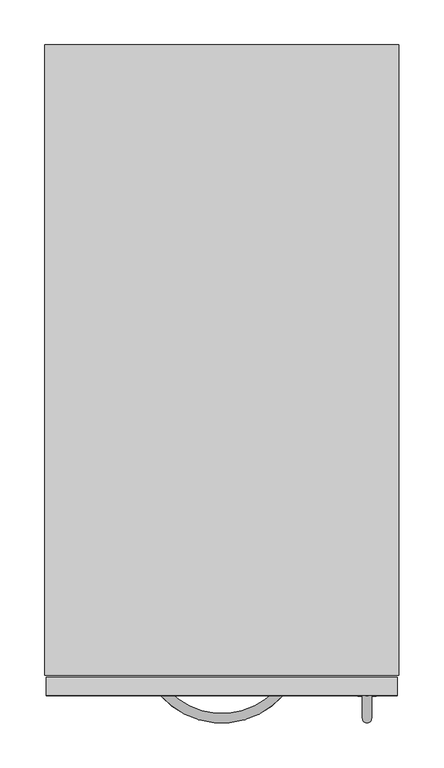
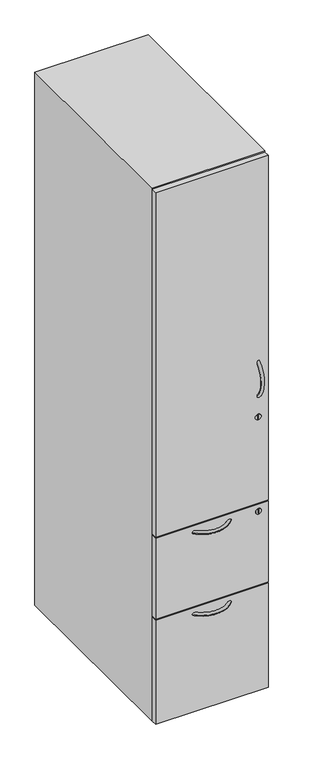
"""IFC4 building model written with IfcOpenShell, lengths in millimetres: furniture geometry."""

from ifc_helpers import new_model, si_unit, point, frame, frame_2d, origin, origin_with_axes, place, context, project, spatial, polyline, circle_curve, ellipse_curve, trimmed, segment, composite_curve, outline, extrude, source, transform, mapped, element, save
from ifc_brep_helpers import plane_surface, revolved_surface, advanced_brep


def furniture_a0b0e49a(model_context):
    return source(origin(), model_context, "Body", "SolidModel", [
        extrude(outline(composite_curve([segment(trimmed(circle_curve(frame_2d((1017.6852137, 357.5410502)), 10.16), [point((1007.5252137, 357.5410502))], [point((1027.8452137, 357.5410502))], False, "CARTESIAN"), True, "CONTINUOUS"), segment(trimmed(circle_curve(frame_2d((1017.6852137, 357.5410502)), 10.16), [point((1027.8452137, 357.5410502))], [point((1007.5252137, 357.5410502))], False, "CARTESIAN"), True, "CONTINUOUS")], self_intersect=False), holes=[polyline([(1008.2250662, 358.3938062), (1008.2250662, 356.2403554), (1026.6664357, 356.2403554), (1026.6664357, 358.3938062), (1008.2250662, 358.3938062)])]), frame((0.0, -724.3482745, 0.0), z_axis=(0.0, 1.0, 0.0), x_axis=(0.0, 0.0, 1.0)), (0.0, 0.0, 1.0), 0.4482745),
        extrude(outline(composite_curve([segment(trimmed(circle_curve(frame_2d((359.0034058, -43.2897498)), 19.05), [point((359.0034058, -62.3397498))], [point((359.0034058, -24.2397498))], False, "CARTESIAN"), True, "CONTINUOUS"), segment(trimmed(circle_curve(frame_2d((359.0034058, -43.2897498)), 19.05), [point((359.0034058, -24.2397498))], [point((359.0034058, -62.3397498))], False, "CARTESIAN"), True, "CONTINUOUS")], self_intersect=False)), origin_with_axes(), (0.0, 0.0, 1.0), 12.7),
        extrude(outline(composite_curve([segment(trimmed(circle_curve(frame_2d((359.0034058, -659.2397498)), 19.05), [point((359.0034058, -678.2897498))], [point((359.0034058, -640.1897498))], False, "CARTESIAN"), True, "CONTINUOUS"), segment(trimmed(circle_curve(frame_2d((359.0034058, -659.2397498)), 19.05), [point((359.0034058, -640.1897498))], [point((359.0034058, -678.2897498))], False, "CARTESIAN"), True, "CONTINUOUS")], self_intersect=False)), origin_with_axes(), (0.0, 0.0, 1.0), 12.7),
        extrude(outline(composite_curve([segment(trimmed(circle_curve(frame_2d((37.440039, -42.3278537)), 19.05), [point((37.440039, -61.3778537))], [point((37.440039, -23.2778537))], False, "CARTESIAN"), True, "CONTINUOUS"), segment(trimmed(circle_curve(frame_2d((37.440039, -42.3278537)), 19.05), [point((37.440039, -23.2778537))], [point((37.440039, -61.3778537))], False, "CARTESIAN"), True, "CONTINUOUS")], self_intersect=False)), origin_with_axes(), (0.0, 0.0, 1.0), 12.7),
        extrude(outline(composite_curve([segment(trimmed(circle_curve(frame_2d((37.440039, -658.2778537)), 19.05), [point((37.440039, -677.3278537))], [point((37.440039, -639.2278537))], False, "CARTESIAN"), True, "CONTINUOUS"), segment(trimmed(circle_curve(frame_2d((37.440039, -658.2778537)), 19.05), [point((37.440039, -639.2278537))], [point((37.440039, -677.3278537))], False, "CARTESIAN"), True, "CONTINUOUS")], self_intersect=False)), origin_with_axes(), (0.0, 0.0, 1.0), 12.7),
        advanced_brep(
        [(363.4600656, -720.7495514, 1220.566729), (353.3275468, -720.7495514, 1220.566729), (363.4600656, -720.7495514, 1091.8763345), (353.3275468, -720.7495514, 1091.8763345)],
        [
            (0, 1, circle_curve(frame((358.3938062, -720.7495514, 1220.566729), z_axis=(0.0, 0.7417842064109053, 0.6706386442185863), x_axis=(-1.0, 0.0, 0.0)), 5.0662594)),
            (1, 0, circle_curve(frame((358.3938062, -720.7495514, 1220.566729), z_axis=(0.0, 0.7417842064109053, 0.6706386442185863), x_axis=(-1.0, 0.0, 0.0)), 5.0662594)),
            (2, 3, circle_curve(frame((358.3938062, -720.7495514, 1091.8763345), z_axis=(0.0, 0.7417842064109036, -0.6706386442185881), x_axis=(-1.0, 0.0, 0.0)), 5.0662594)),
            (3, 2, circle_curve(frame((358.3938062, -720.7495514, 1091.8763345), z_axis=(0.0, 0.7417842064109036, -0.6706386442185881), x_axis=(-1.0, 0.0, 0.0)), 5.0662594)),
            (3, 1, circle_curve(frame((353.3275468, -662.5757922, 1156.2215318), z_axis=(-1.0, 0.0, 0.0), x_axis=(0.0, -0.6706386442185863, 0.7417842064109053)), 86.7438221)),
            (0, 2, circle_curve(frame((363.4600656, -662.5757922, 1156.2215318), z_axis=(1.0, 0.0, 0.0), x_axis=(0.0, -0.6706386442185863, 0.7417842064109053)), 86.7438221)),
        ],
        [
            plane_surface(frame((358.3938062, -723.9, 1224.0513969), z_axis=(0.0, 0.7417842064109053, 0.6706386442185863), x_axis=(-1.0, 0.0, 0.0))),
            plane_surface(frame((358.3938062, -723.9, 1088.3916666), z_axis=(0.0, 0.7417842064109035, -0.6706386442185882), x_axis=(-1.0, 0.0, 0.0))),
            revolved_surface(trimmed(ellipse_curve(frame((358.3938062, -720.7495514, 1220.566729), z_axis=(0.0, 0.7417842064109053, 0.6706386442185863), x_axis=(-1.0, 0.0, 0.0)), 5.0662594, 5.0662594), [point((363.4600656, -720.7495514, 1220.566729))], [point((353.3275468, -720.7495514, 1220.566729))], True, "CARTESIAN"), (358.3938062, -662.5757922, 1156.2215318), (1.0, 0.0, 0.0)),
            revolved_surface(trimmed(ellipse_curve(frame((358.3938062, -720.7495514, 1220.566729), z_axis=(0.0, 0.7417842064109053, 0.6706386442185863), x_axis=(-1.0, 0.0, 0.0)), 5.0662594, 5.0662594), [point((353.3275468, -720.7495514, 1220.566729))], [point((363.4600656, -720.7495514, 1220.566729))], True, "CARTESIAN"), (358.3938062, -662.5757922, 1156.2215318), (1.0, 0.0, 0.0)),
        ],
        [
            (0, [[1, 2]]),
            (1, [[3, 4]]),
            (2, [[5, -1, 6, -4]]),
            (3, [[-6, -2, -5, -3]]),
        ],
    ),
        advanced_brep(
        [(128.9447666, -723.9, 371.8570086), (136.5206934, -717.1301453, 371.8570086), (264.7552334, -723.9, 371.8570086), (257.1793066, -717.1301453, 371.8570086)],
        [
            (0, 1, circle_curve(frame((132.73273, -720.5150727, 371.8570086), z_axis=(-0.6663242793391848, 0.7456620915422186, 0.0), x_axis=(0.7456620915422186, 0.6663242793391848, 0.0)), 5.08)),
            (1, 0, circle_curve(frame((132.73273, -720.5150727, 371.8570086), z_axis=(-0.6663242793391848, 0.7456620915422186, 0.0), x_axis=(0.7456620915422186, 0.6663242793391848, 0.0)), 5.08)),
            (2, 3, circle_curve(frame((260.96727, -720.5150727, 371.8570086), z_axis=(0.6663242793392049, 0.7456620915422008, 0.0), x_axis=(-0.7456620915422008, 0.6663242793392049, 0.0)), 5.08)),
            (3, 2, circle_curve(frame((260.96727, -720.5150727, 371.8570086), z_axis=(0.6663242793392049, 0.7456620915422008, 0.0), x_axis=(-0.7456620915422008, 0.6663242793392049, 0.0)), 5.08)),
            (3, 1, circle_curve(frame((196.85, -663.2198256, 371.8570086), z_axis=(0.0, 0.0, -1.0), x_axis=(-0.7456620915422186, -0.6663242793391848, 0.0)), 80.9070318)),
            (0, 2, circle_curve(frame((196.85, -663.2198256, 371.8570086), z_axis=(0.0, 0.0, 1.0), x_axis=(-0.7456620915422186, -0.6663242793391848, 0.0)), 91.0670318)),
        ],
        [
            plane_surface(frame((128.9447666, -723.9, 399.1609947), z_axis=(-0.6663242793391848, 0.7456620915422186, 0.0), x_axis=(0.0, 0.0, 1.0))),
            plane_surface(frame((264.7552334, -723.9, 399.1609947), z_axis=(0.6663242793392048, 0.7456620915422008, 0.0), x_axis=(0.0, 0.0, 1.0))),
            revolved_surface(trimmed(ellipse_curve(frame((132.73273, -720.5150727, 371.8570086), z_axis=(-0.6663242793391848, 0.7456620915422186, 0.0), x_axis=(0.7456620915422186, 0.6663242793391848, 0.0)), 5.08, 5.08), [point((128.9447666, -723.9, 371.8570086))], [point((136.5206934, -717.1301453, 371.8570086))], True, "CARTESIAN"), (196.85, -663.2198256, 399.1609947), (0.0, 0.0, 1.0)),
            revolved_surface(trimmed(ellipse_curve(frame((132.73273, -720.5150727, 371.8570086), z_axis=(-0.6663242793391848, 0.7456620915422186, 0.0), x_axis=(0.7456620915422186, 0.6663242793391848, 0.0)), 5.08, 5.08), [point((136.5206934, -717.1301453, 371.8570086))], [point((128.9447666, -723.9, 371.8570086))], True, "CARTESIAN"), (196.85, -663.2198256, 399.1609947), (0.0, 0.0, 1.0)),
        ],
        [
            (0, [[1, 2]]),
            (1, [[3, 4]]),
            (2, [[5, -1, 6, -4]]),
            (3, [[-6, -2, -5, -3]]),
        ],
    ),
        extrude(outline(composite_curve([segment(trimmed(circle_curve(frame_2d((671.1415886, 358.4414068)), 10.264211), [point((671.1415886, 368.7056178))], [point((671.1415886, 348.1771958))], False, "CARTESIAN"), True, "CONTINUOUS"), segment(trimmed(circle_curve(frame_2d((671.1415886, 358.4414068)), 10.264211), [point((671.1415886, 348.1771958))], [point((671.1415886, 368.7056178))], False, "CARTESIAN"), True, "CONTINUOUS")], self_intersect=False), holes=[polyline([(679.1560925, 359.7318122), (663.4286723, 359.7318122), (663.4286723, 357.0829835), (679.1560925, 357.0829835), (679.1560925, 359.7318122)])]), frame((0.0, -724.408, 0.0), z_axis=(0.0, 1.0, 0.0), x_axis=(0.0, 0.0, 1.0)), (0.0, 0.0, 1.0), 0.508),
        advanced_brep(
        [(128.9447666, -723.9, 672.0850086), (136.5206934, -717.1301453, 672.0850086), (264.7552334, -723.9, 672.0850086), (257.1793066, -717.1301453, 672.0850086)],
        [
            (0, 1, circle_curve(frame((132.73273, -720.5150727, 672.0850086), z_axis=(-0.6663242793391836, 0.7456620915422199, 0.0), x_axis=(0.7456620915422199, 0.6663242793391836, 0.0)), 5.08)),
            (1, 0, circle_curve(frame((132.73273, -720.5150727, 672.0850086), z_axis=(-0.6663242793391836, 0.7456620915422199, 0.0), x_axis=(0.7456620915422199, 0.6663242793391836, 0.0)), 5.08)),
            (2, 3, circle_curve(frame((260.96727, -720.5150727, 672.0850086), z_axis=(0.6663242793392062, 0.7456620915421996, 0.0), x_axis=(-0.7456620915421996, 0.6663242793392062, 0.0)), 5.08)),
            (3, 2, circle_curve(frame((260.96727, -720.5150727, 672.0850086), z_axis=(0.6663242793392062, 0.7456620915421996, 0.0), x_axis=(-0.7456620915421996, 0.6663242793392062, 0.0)), 5.08)),
            (3, 1, circle_curve(frame((196.85, -663.2198256, 672.0850086), z_axis=(0.0, 0.0, -1.0), x_axis=(-0.7456620915422199, -0.6663242793391836, 0.0)), 80.9070318)),
            (0, 2, circle_curve(frame((196.85, -663.2198256, 672.0850086), z_axis=(0.0, 0.0, 1.0), x_axis=(-0.7456620915422199, -0.6663242793391836, 0.0)), 91.0670318)),
        ],
        [
            plane_surface(frame((128.9447666, -723.9, 667.6389947), z_axis=(-0.6663242793391835, 0.7456620915422197, 0.0), x_axis=(0.0, 0.0, 1.0))),
            plane_surface(frame((264.7552334, -723.9, 667.6389947), z_axis=(0.6663242793392061, 0.7456620915421996, 0.0), x_axis=(0.0, 0.0, 1.0))),
            revolved_surface(trimmed(ellipse_curve(frame((132.73273, -720.5150727, 672.0850086), z_axis=(-0.6663242793391836, 0.7456620915422199, 0.0), x_axis=(0.7456620915422199, 0.6663242793391836, 0.0)), 5.08, 5.08), [point((128.9447666, -723.9, 672.0850086))], [point((136.5206934, -717.1301453, 672.0850086))], True, "CARTESIAN"), (196.85, -663.2198256, 667.6389947), (0.0, 0.0, 1.0)),
            revolved_surface(trimmed(ellipse_curve(frame((132.73273, -720.5150727, 672.0850086), z_axis=(-0.6663242793391836, 0.7456620915422199, 0.0), x_axis=(0.7456620915422199, 0.6663242793391836, 0.0)), 5.08, 5.08), [point((136.5206934, -717.1301453, 672.0850086))], [point((128.9447666, -723.9, 672.0850086))], True, "CARTESIAN"), (196.85, -663.2198256, 667.6389947), (0.0, 0.0, 1.0)),
        ],
        [
            (0, [[1, 2]]),
            (1, [[3, 4]]),
            (2, [[5, -1, 6, -4]]),
            (3, [[-6, -2, -5, -3]]),
        ],
    ),
        extrude(outline(polyline([(0.0, -701.5225868), (0.0, 0.0), (393.6998062, 0.0), (393.6998062, -701.5225868), (0.0, -701.5225868)])), frame((0.0, 0.0, 12.7), z_axis=(0.0, 0.0, 1.0), x_axis=(1.0, 0.0, 0.0)), (0.0, 0.0, 1.0), 1955.8),
        extrude(outline(polyline([(392.2016418, -703.9356663), (392.2016418, -723.9), (1.4987457, -723.9), (1.4987457, -703.9356663), (392.2016418, -703.9356663)])), frame((0.0, 0.0, 399.1609947), z_axis=(0.0, 0.0, 1.0), x_axis=(1.0, 0.0, 0.0)), (0.0, 0.0, 1.0), 297.942),
        extrude(outline(polyline([(392.2016418, -703.9356663), (392.2016418, -723.9), (1.4987457, -723.9), (1.4987457, -703.9356663), (392.2016418, -703.9356663)])), frame((0.0, 0.0, 700.1509947), z_axis=(0.0, 0.0, 1.0), x_axis=(1.0, 0.0, 0.0)), (0.0, 0.0, 1.0), 1265.3518046),
        extrude(outline(polyline([(392.2016418, -703.9356663), (392.2016418, -723.9), (1.4987457, -723.9), (1.4987457, -703.9356663), (392.2016418, -703.9356663)])), frame((0.0, 0.0, 12.7), z_axis=(0.0, 0.0, 1.0), x_axis=(1.0, 0.0, 0.0)), (0.0, 0.0, 1.0), 383.4129947),
    ])


if __name__ == "__main__":
    model = new_model("IFC4")
    model_context = context("Model", 3, world=origin())
    ifc_project = project(units=[si_unit("LENGTHUNIT", "METRE", prefix="MILLI")], contexts=[model_context])
    site = spatial("IfcSite", under=ifc_project)
    building = spatial("IfcBuilding", under=site)
    placement = place(None, origin())
    furniture_shape = furniture_a0b0e49a(model_context)
    element("IfcFurniture", 1, at=placement, inside=building, context=model_context, shape_type="MappedRepresentation", body=[
        mapped(furniture_shape, transform((0.0, 0.0, 0.0), x_axis=(1.0, 0.0, 0.0), y_axis=(0.0, 1.0, 0.0), z_axis=(0.0, 0.0, 1.0))),
    ])
    save(model, "model.ifc")
